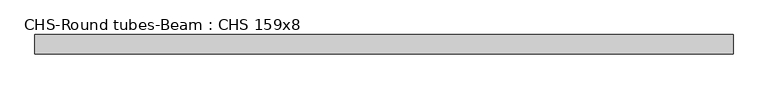
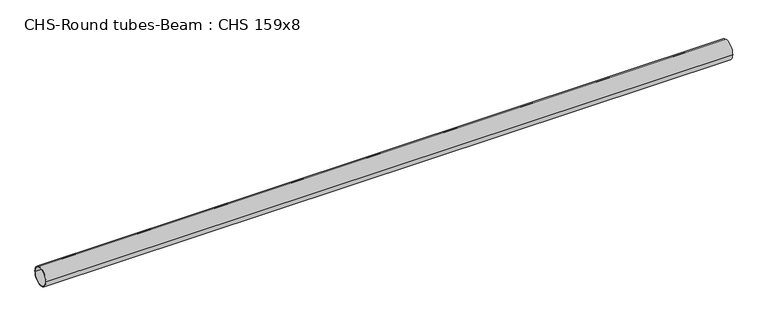
"""IFC4 building model written with IfcOpenShell, lengths in millimetres: beam geometry, CHS-Round tubes-Beam : CHS 159x8."""

from ifc_helpers import new_model, si_unit, point, frame, origin, origin_2d, place, context, project, spatial, circle_curve, trimmed, segment, composite_curve, outline, extrude, source, transform, mapped, element, save


def chs_round_tubes_beam_chs_159x8_98356f16(model_context):
    return source(origin(), model_context, "Body", "SweptSolid", [
        extrude(outline(composite_curve([segment(trimmed(circle_curve(origin_2d(), 79.5), [point((79.5, 0.0))], [point((-79.5, 0.0))], False, "CARTESIAN"), True, "CONTINUOUS"), segment(trimmed(circle_curve(origin_2d(), 79.5), [point((-79.5, 0.0))], [point((79.5, 0.0))], False, "CARTESIAN"), True, "CONTINUOUS")], self_intersect=False), holes=[composite_curve([segment(trimmed(circle_curve(origin_2d(), 71.5), [point((71.5, 0.0))], [point((-71.5, 0.0))], True, "CARTESIAN"), True, "CONTINUOUS"), segment(trimmed(circle_curve(origin_2d(), 71.5), [point((-71.5, 0.0))], [point((71.5, 0.0))], True, "CARTESIAN"), True, "CONTINUOUS")], self_intersect=False)]), frame((-2803.725558, 0.0, 0.0), z_axis=(1.0, 0.0, 0.0), x_axis=(0.0, 1.0, 0.0)), (0.0, 0.0, 1.0), 5745.4288792),
    ])


if __name__ == "__main__":
    model = new_model("IFC4")
    model_context = context("Model", 3, world=origin())
    ifc_project = project(units=[si_unit("LENGTHUNIT", "METRE", prefix="MILLI")], contexts=[model_context])
    site = spatial("IfcSite", under=ifc_project)
    building = spatial("IfcBuilding", under=site)
    placement = place(None, origin())
    chs_round_tubes_beam_chs_159x8_shape = chs_round_tubes_beam_chs_159x8_98356f16(model_context)
    element("IfcBeam", 1, ObjectType="CHS-Round tubes-Beam : CHS 159x8", at=placement, inside=building, context=model_context, shape_type="MappedRepresentation", body=[
        mapped(chs_round_tubes_beam_chs_159x8_shape, transform((0.0, 0.0, 0.0), x_axis=(1.0, 0.0, 0.0), y_axis=(0.0, 1.0, 0.0), z_axis=(0.0, 0.0, 1.0))),
    ])
    save(model, "model.ifc")
